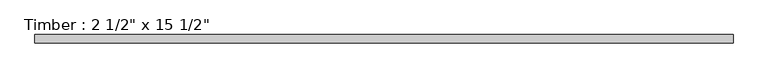
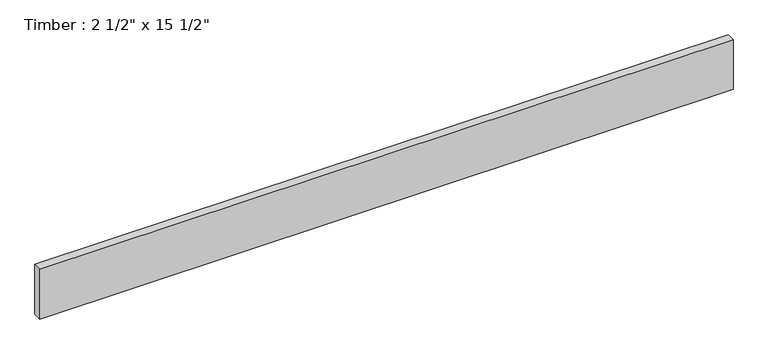
"""IFC4 building model written with IfcOpenShell, lengths in millimetres: beam geometry."""

from ifc_helpers import new_model, si_unit, frame, origin, place, context, project, spatial, polyline, outline, extrude, source, transform, mapped, element, save


def beam_c0cc7f1b(model_context):
    return source(origin(), model_context, "Body", "SweptSolid", [
        extrude(outline(polyline([(2598.3755821, 31.75), (2598.3755821, -31.75), (-2598.3755821, -31.75), (-2598.3755821, 31.75), (2598.3755821, 31.75)])), frame((0.0, 0.0, -196.85), z_axis=(0.0, 0.0, 1.0), x_axis=(1.0, 0.0, 0.0)), (0.0, 0.0, 1.0), 393.7),
    ])


if __name__ == "__main__":
    model = new_model("IFC4")
    model_context = context("Model", 3, world=origin())
    ifc_project = project(units=[si_unit("LENGTHUNIT", "METRE", prefix="MILLI")], contexts=[model_context])
    site = spatial("IfcSite", under=ifc_project)
    building = spatial("IfcBuilding", under=site)
    placement = place(None, origin())
    beam_shape = beam_c0cc7f1b(model_context)
    element("IfcBeam", 1, ObjectType="Timber : 2 1/2\" x 15 1/2\"", at=placement, inside=building, context=model_context, shape_type="MappedRepresentation", body=[
        mapped(beam_shape, transform((0.0, 0.0, 0.0), x_axis=(1.0, 0.0, 0.0), y_axis=(0.0, 1.0, 0.0), z_axis=(0.0, 0.0, 1.0))),
    ])
    save(model, "model.ifc")
